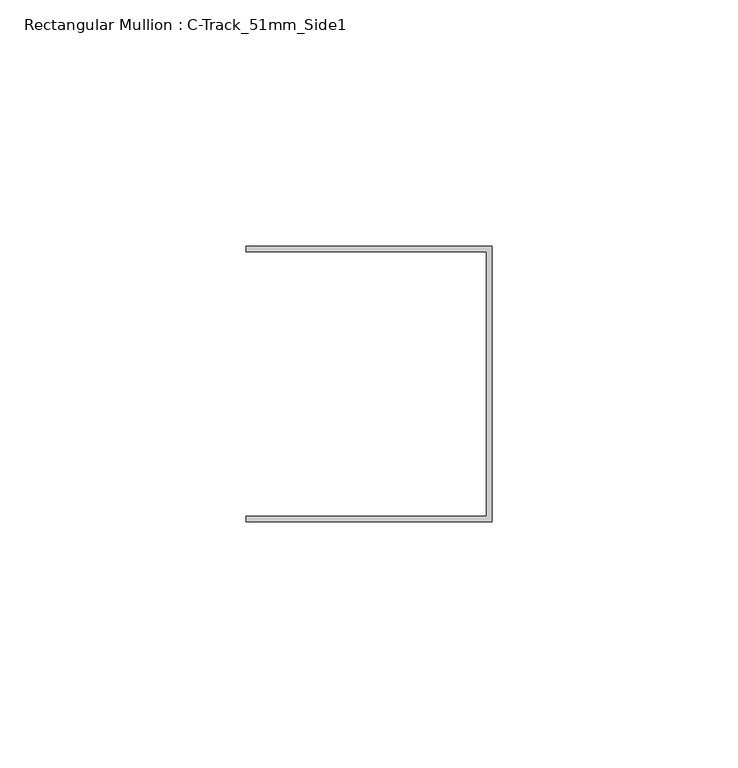
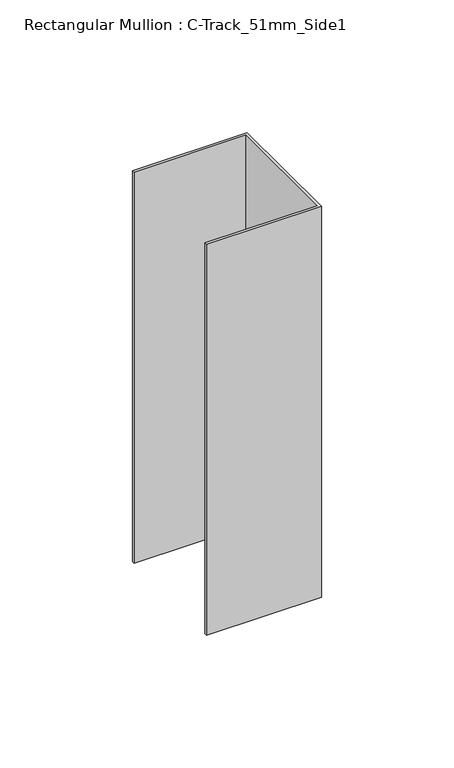
"""IFC4 building model written with IfcOpenShell, lengths in millimetres: member geometry, Rectangular Mullion : C-Track_51mm_Side1."""

from ifc_helpers import new_model, si_unit, frame, origin, place, context, project, spatial, polyline, outline, extrude, source, transform, mapped, element, save


def rectangular_mullion_c_track_51mm_side1_3091d726(model_context):
    return source(origin(), model_context, "Body", "SweptSolid", [
        extrude(outline(polyline([(-1.15, 26.85), (-50.0, 26.85), (-50.0, 28.0), (0.0, 28.0), (0.0, -28.0), (-50.0, -28.0), (-50.0, -26.85), (-1.15, -26.85), (-1.15, 26.85)])), frame((0.0, 0.0, -179.9999997), z_axis=(0.0, 0.0, 1.0), x_axis=(1.0, 0.0, 0.0)), (0.0, 0.0, 1.0), 179.9999997),
    ])


if __name__ == "__main__":
    model = new_model("IFC4")
    model_context = context("Model", 3, world=origin())
    ifc_project = project(units=[si_unit("LENGTHUNIT", "METRE", prefix="MILLI")], contexts=[model_context])
    site = spatial("IfcSite", under=ifc_project)
    building = spatial("IfcBuilding", under=site)
    placement = place(None, origin())
    rectangular_mullion_c_track_51mm_side1_shape = rectangular_mullion_c_track_51mm_side1_3091d726(model_context)
    element("IfcMember", 1, ObjectType="Rectangular Mullion : C-Track_51mm_Side1", at=placement, inside=building, context=model_context, shape_type="MappedRepresentation", body=[
        mapped(rectangular_mullion_c_track_51mm_side1_shape, transform((0.0, 0.0, 0.0), x_axis=(1.0, 0.0, 0.0), y_axis=(0.0, 1.0, 0.0), z_axis=(0.0, 0.0, 1.0))),
    ])
    save(model, "model.ifc")
